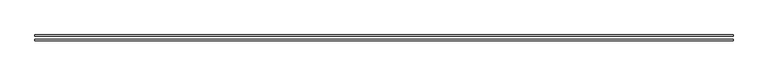
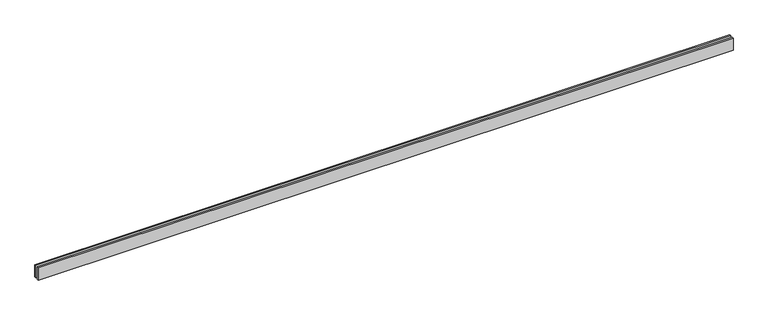
"""IFC4 building model written with IfcOpenShell, lengths in millimetres: proxy geometry."""

from ifc_helpers import new_model, si_unit, origin, origin_with_axes, place, context, project, spatial, polyline, outline, extrude, source, transform, mapped, element, save


def generic_models_41e983f9(model_context):
    return source(origin(), model_context, "Body", "SweptSolid", [
        extrude(outline(polyline([(13424.2640687, -25.0), (13424.2640687, -55.0), (0.0, -55.0), (0.0, -25.0), (13424.2640687, -25.0)])), origin_with_axes(), (0.0, 0.0, 1.0), 250.0),
        extrude(outline(polyline([(13424.2640687, 55.0), (13424.2640687, 25.0), (0.0, 25.0), (0.0, 55.0), (13424.2640687, 55.0)])), origin_with_axes(), (0.0, 0.0, 1.0), 250.0),
    ])


if __name__ == "__main__":
    model = new_model("IFC4")
    model_context = context("Model", 3, world=origin())
    ifc_project = project(units=[si_unit("LENGTHUNIT", "METRE", prefix="MILLI")], contexts=[model_context])
    site = spatial("IfcSite", under=ifc_project)
    building = spatial("IfcBuilding", under=site)
    placement = place(None, origin())
    generic_models_shape = generic_models_41e983f9(model_context)
    element("IfcBuildingElementProxy", 1, Name="Generic Models", at=placement, inside=building, context=model_context, shape_type="MappedRepresentation", body=[
        mapped(generic_models_shape, transform((0.0, 0.0, 0.0), x_axis=(1.0, 0.0, 0.0), y_axis=(0.0, 1.0, 0.0), z_axis=(0.0, 0.0, 1.0))),
    ])
    save(model, "model.ifc")
